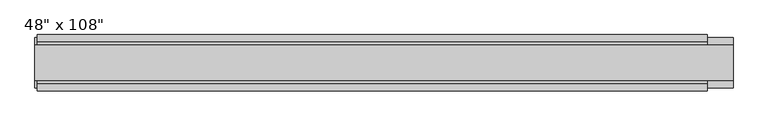
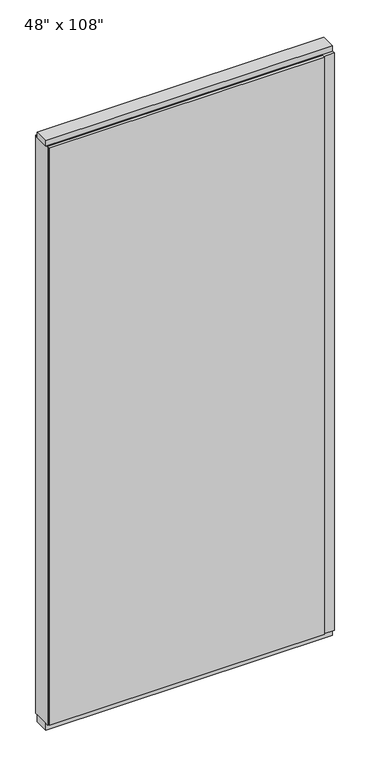
"""IFC4 building model written with IfcOpenShell, lengths in millimetres: furniture geometry."""

import ifcopenshell
import ifcopenshell.guid

model = None  # the IFC model being written
_history = None  # IfcOwnerHistory: only IFC2X3 demands one
_inside = {}  # id of a spatial element -> (the spatial element, [elements in it])
_under = {}  # id of a project, library or spatial element -> (it, [spatial elements below it])
_declared = {}  # id of a project -> (the project, [libraries it declares])
_typed = {}  # id of a type object -> (the type object, [elements of that type])
_made_of = {}  # id of a material, layer set ... -> (it, [elements and type objects made of it])


def new_model(schema):
    """Start an empty IFC model of exactly this schema.

    Asked for "IFC4X3", IfcOpenShell would pick the latest addendum, in which some entities
    have other attributes; the version numbers below select the first issue.
    IFC2X3 requires an IfcOwnerHistory on every rooted entity: one is made here for all.
    """
    global model, _history
    if schema == "IFC4X3":
        model = ifcopenshell.file(schema_version=(4, 3, 0, 0))
    else:
        model = ifcopenshell.file(schema=schema)
    _inside.clear()
    _under.clear()
    _declared.clear()
    _typed.clear()
    _made_of.clear()
    _history = None
    if model.schema == "IFC2X3":
        org = make("IfcOrganization", Name="unknown")
        user = make(
            "IfcPersonAndOrganization",
            ThePerson=make("IfcPerson", FamilyName="unknown"),
            TheOrganization=org,
        )
        app = make(
            "IfcApplication",
            ApplicationDeveloper=org,
            Version="unknown",
            ApplicationFullName="unknown",
            ApplicationIdentifier="unknown",
        )
        _history = make(
            "IfcOwnerHistory",
            OwningUser=user,
            OwningApplication=app,
            ChangeAction="ADDED",
            CreationDate=0,
        )
    return model


def make(cls, **values):
    """One entity of the class cls with the attributes given. An attribute that is None is left unset."""
    return model.create_entity(
        cls, **{name: value for name, value in values.items() if value is not None}
    )


def rooted(cls, **values):
    """An entity with a GlobalId (a new one), such as an element, a storey or a relation."""
    return make(cls, GlobalId=ifcopenshell.guid.new(), OwnerHistory=_history, **values)


def si_unit(unit_type, name, prefix=None):
    """IfcSIUnit, for example si_unit("LENGTHUNIT", "METRE", prefix="MILLI")."""
    return make("IfcSIUnit", UnitType=unit_type, Prefix=prefix, Name=name)


def assignment(units):
    """IfcUnitAssignment: the units of a project."""
    return None if units is None else make("IfcUnitAssignment", Units=units)


def point(xyz):
    """IfcCartesianPoint."""
    return None if xyz is None else make("IfcCartesianPoint", Coordinates=xyz)


def direction(xyz):
    """IfcDirection."""
    return None if xyz is None else make("IfcDirection", DirectionRatios=xyz)


def frame(location, z_axis=None, x_axis=None):
    """IfcAxis2Placement3D, a coordinate frame: its origin and axes. An axis left out is left unset."""
    return make(
        "IfcAxis2Placement3D",
        Location=point(location),
        Axis=direction(z_axis),
        RefDirection=direction(x_axis),
    )


def origin():
    """The frame at (0, 0, 0) with its axes left unset."""
    return frame((0.0, 0.0, 0.0))


def origin_with_axes():
    """The frame at (0, 0, 0) with the z axis (0, 0, 1) and the x axis (1, 0, 0) written out."""
    return frame((0.0, 0.0, 0.0), z_axis=(0.0, 0.0, 1.0), x_axis=(1.0, 0.0, 0.0))


def place(relative_to, where):
    """IfcLocalPlacement: puts the frame where relative to a parent placement (None: the world)."""
    return make(
        "IfcLocalPlacement", PlacementRelTo=relative_to, RelativePlacement=where
    )


def context(
    kind, dimensions, precision=None, world=None, true_north=None, identifier=None
):
    """IfcGeometricRepresentationContext, for example the 3D "Model" context."""
    return make(
        "IfcGeometricRepresentationContext",
        ContextIdentifier=identifier,
        ContextType=kind,
        CoordinateSpaceDimension=dimensions,
        Precision=precision,
        WorldCoordinateSystem=world,
        TrueNorth=true_north,
    )


def project(units=None, contexts=None):
    """IfcProject with its units and contexts."""
    return rooted(
        "IfcProject",
        Name="project",
        RepresentationContexts=contexts,
        UnitsInContext=assignment(units),
    )


def spatial(cls, under=None, at=None, **own):
    """A site, building, storey or space (cls), placed at a placement, below another one or the project."""
    s = rooted(cls, ObjectPlacement=at, **own)
    if under is not None:
        _under.setdefault(under.id(), (under, []))[1].append(s)
    return s


def polyline(points):
    """IfcPolyline through the points."""
    return make("IfcPolyline", Points=[point(p) for p in points])


def outline(outer, holes=None, kind="AREA"):
    """IfcArbitraryClosedProfileDef: a profile drawn as a closed curve; with holes, ...WithVoids."""
    if holes is None:
        return make("IfcArbitraryClosedProfileDef", ProfileType=kind, OuterCurve=outer)
    return make(
        "IfcArbitraryProfileDefWithVoids",
        ProfileType=kind,
        OuterCurve=outer,
        InnerCurves=holes,
    )


def extrude(swept, where, along, depth):
    """IfcExtrudedAreaSolid: the profile swept, set in the frame where, extruded along a direction by depth."""
    return make(
        "IfcExtrudedAreaSolid",
        SweptArea=swept,
        Position=where,
        ExtrudedDirection=direction(along),
        Depth=depth,
    )


def shape(context_of_items, identifier, shape_type, items):
    """IfcShapeRepresentation: the items that make up one representation, for example the "Body"."""
    return make(
        "IfcShapeRepresentation",
        ContextOfItems=context_of_items,
        RepresentationIdentifier=identifier,
        RepresentationType=shape_type,
        Items=items,
    )


def source(mapping_origin, context_of_items, identifier, shape_type, items):
    """IfcRepresentationMap: a shape defined once, which mapped items show again and again."""
    return make(
        "IfcRepresentationMap",
        MappingOrigin=mapping_origin,
        MappedRepresentation=shape(context_of_items, identifier, shape_type, items),
    )


def transform(
    local_origin,
    x_axis=None,
    y_axis=None,
    z_axis=None,
    scale=None,
    scale2=None,
    scale3=None,
    uniform=True,
):
    """IfcCartesianTransformationOperator3D, or its non-uniform kind. x_axis, y_axis, z_axis: its Axis1, 2, 3."""
    if uniform:
        return make(
            "IfcCartesianTransformationOperator3D",
            Axis1=direction(x_axis),
            Axis2=direction(y_axis),
            LocalOrigin=point(local_origin),
            Scale=scale,
            Axis3=direction(z_axis),
        )
    return make(
        "IfcCartesianTransformationOperator3DnonUniform",
        Axis1=direction(x_axis),
        Axis2=direction(y_axis),
        LocalOrigin=point(local_origin),
        Scale=scale,
        Axis3=direction(z_axis),
        Scale2=scale2,
        Scale3=scale3,
    )


def mapped(mapping_source, mapping_target):
    """IfcMappedItem: shows the shape of a source again, moved by a transform."""
    return make(
        "IfcMappedItem", MappingSource=mapping_source, MappingTarget=mapping_target
    )


def made_of(thing, what):
    """Note that an element or type object is made of a material, layer set ...; save() writes the relation."""
    if what is not None:
        _made_of.setdefault(what.id(), (what, []))[1].append(thing)
    return thing


def element(
    cls,
    number,
    at=None,
    inside=None,
    cuts=None,
    type_object=None,
    material=None,
    context=None,
    identifier="Body",
    shape_type=None,
    held_by="IfcProductDefinitionShape",
    body=None,
    shapes=None,
    **own,
):
    """One element of the class cls, such as IfcWall. Its Tag is "e" and its number.

    at: its placement. inside: the storey or other place that contains it. cuts: it is an
    opening in that element (IfcRelVoidsElement). A single representation is given by context,
    identifier, shape_type and body (its items); several are given by shapes. held_by: the class
    of the entity that holds the representations. save() writes the other relations.
    """
    e = rooted(cls, Tag="e%d" % number, ObjectPlacement=at, **own)
    if body is not None:
        shapes = [shape(context, identifier, shape_type, body)]
    if shapes is not None:
        e.Representation = make(held_by, Representations=shapes)
    if inside is not None:
        _inside.setdefault(inside.id(), (inside, []))[1].append(e)
    if cuts is not None:
        rooted(
            "IfcRelVoidsElement", RelatingBuildingElement=cuts, RelatedOpeningElement=e
        )
    if type_object is not None:
        _typed.setdefault(type_object.id(), (type_object, []))[1].append(e)
    return made_of(e, material)


def aggregate(whole, parts):
    """IfcRelAggregates: a whole, such as a stair, and the parts it consists of."""
    return rooted("IfcRelAggregates", RelatingObject=whole, RelatedObjects=parts)


def save(model, path):
    """Write the relations noted so far, then the file.

    IfcRelAggregates (storeys below a building ...), IfcRelContainedInSpatialStructure (elements
    in a storey), IfcRelDefinesByType, IfcRelAssociatesMaterial and IfcRelDeclares: one each for
    every whole, place, type object, material and project.
    """
    for whole, parts in _under.values():
        aggregate(whole, parts)
    for where, things in _inside.values():
        rooted(
            "IfcRelContainedInSpatialStructure",
            RelatedElements=things,
            RelatingStructure=where,
        )
    for kind, things in _typed.values():
        rooted("IfcRelDefinesByType", RelatedObjects=things, RelatingType=kind)
    for what, things in _made_of.values():
        rooted("IfcRelAssociatesMaterial", RelatedObjects=things, RelatingMaterial=what)
    for by, libraries in _declared.values():
        rooted("IfcRelDeclares", RelatingContext=by, RelatedDefinitions=libraries)
    model.write(path)


def furniture_f92fad2a(model_context):
    return source(origin(), model_context, "Body", "SweptSolid", [
        extrude(outline(polyline([(545.6264771, 46.2822784), (545.6264771, 33.5822784), (-665.6995229, 33.5822784), (-665.6995229, 46.2822784), (545.6264771, 46.2822784)])), frame((0.0, 0.0, 31.75), z_axis=(0.0, 0.0, 1.0), x_axis=(1.0, 0.0, 0.0)), (0.0, 0.0, 1.0), 2686.05),
        extrude(outline(polyline([(545.6264771, -55.3177216), (-665.6995229, -55.3177216), (-665.6995229, -42.6177216), (545.6264771, -42.6177216), (545.6264771, -55.3177216)])), frame((0.0, 0.0, 31.75), z_axis=(0.0, 0.0, 1.0), x_axis=(1.0, 0.0, 0.0)), (0.0, 0.0, 1.0), 2686.05),
        extrude(outline(polyline([(-42.6177216, 2681.478), (-42.6177216, 2717.8), (33.5822784, 2717.8), (33.5822784, 2681.478), (28.6292784, 2681.478), (28.6292784, 2676.525), (-37.6647216, 2676.525), (-37.6647216, 2681.478), (-42.6177216, 2681.478)])), frame((-665.6995229, 0.0, 0.0), z_axis=(1.0, 0.0, 0.0), x_axis=(0.0, 1.0, 0.0)), (0.0, 0.0, 1.0), 1211.326),
        extrude(outline(polyline([(592.4894771, 27.9942784), (592.4894771, -37.0297216), (-669.6365229, -37.0297216), (-669.6365229, 27.9942784), (592.4894771, 27.9942784)])), origin_with_axes(), (0.0, 0.0, 1.0), 31.75),
        extrude(outline(polyline([(-669.6365229, -37.0297216), (-669.6365229, 27.9942784), (592.4894771, 27.9942784), (592.4894771, -37.0297216), (-669.6365229, -37.0297216)])), frame((0.0, 0.0, 2717.8), z_axis=(0.0, 0.0, 1.0), x_axis=(1.0, 0.0, 0.0)), (0.0, 0.0, 1.0), 25.4),
        extrude(outline(polyline([(592.4894771, -50.3647216), (545.6264771, -50.3647216), (545.6264771, 41.3292784), (592.4894771, 41.3292784), (592.4894771, -50.3647216)])), frame((0.0, 0.0, 31.75), z_axis=(0.0, 0.0, 1.0), x_axis=(1.0, 0.0, 0.0)), (0.0, 0.0, 1.0), 2686.05),
        extrude(outline(polyline([(-669.6365229, -50.3647216), (-669.6365229, 41.3292784), (-665.6995229, 41.3292784), (-665.6995229, -50.3647216), (-669.6365229, -50.3647216)])), frame((0.0, 0.0, 31.75), z_axis=(0.0, 0.0, 1.0), x_axis=(1.0, 0.0, 0.0)), (0.0, 0.0, 1.0), 2686.05),
    ])


if __name__ == "__main__":
    model = new_model("IFC4")
    model_context = context("Model", 3, world=origin())
    ifc_project = project(units=[si_unit("LENGTHUNIT", "METRE", prefix="MILLI")], contexts=[model_context])
    site = spatial("IfcSite", under=ifc_project)
    building = spatial("IfcBuilding", under=site)
    placement = place(None, origin())
    furniture_shape = furniture_f92fad2a(model_context)
    element("IfcFurniture", 1, ObjectType="48\" x 108\"", at=placement, inside=building, context=model_context, shape_type="MappedRepresentation", body=[
        mapped(furniture_shape, transform((0.0, 0.0, 0.0), x_axis=(1.0, 0.0, 0.0), y_axis=(0.0, 1.0, 0.0), z_axis=(0.0, 0.0, 1.0))),
    ])
    save(model, "model.ifc")
